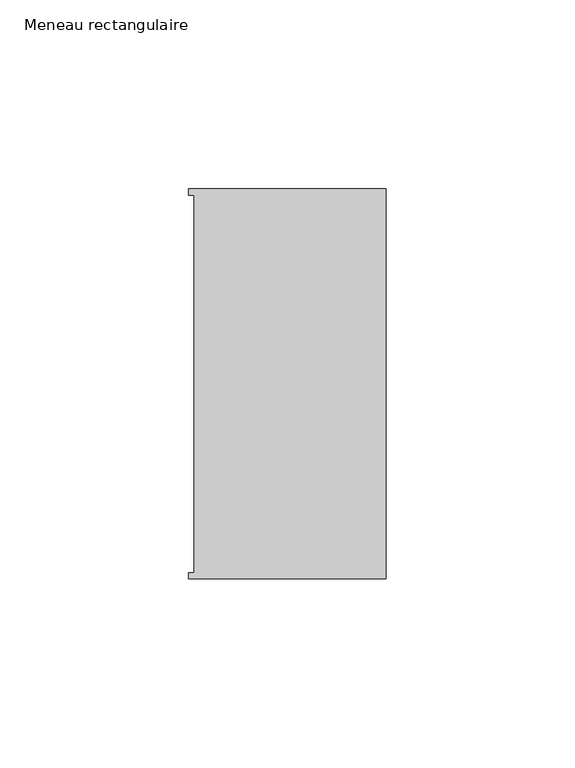
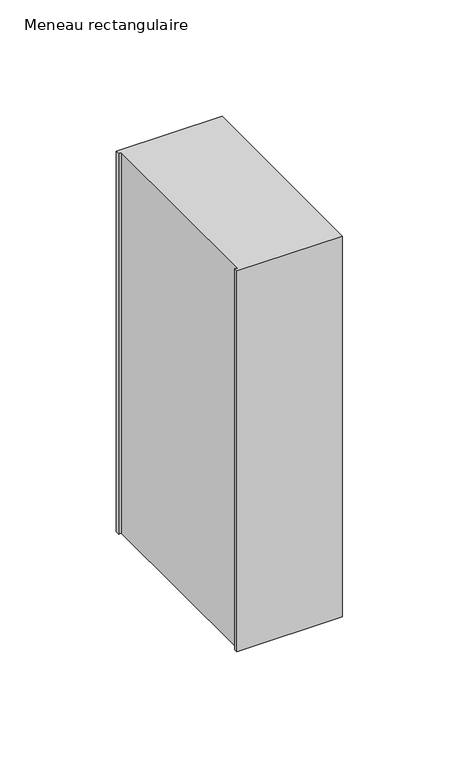
"""IFC4 building model written with IfcOpenShell, lengths in millimetres: member geometry, Meneau rectangulaire."""

import ifcopenshell
import ifcopenshell.guid

model = None  # the IFC model being written
_history = None  # IfcOwnerHistory: only IFC2X3 demands one
_inside = {}  # id of a spatial element -> (the spatial element, [elements in it])
_under = {}  # id of a project, library or spatial element -> (it, [spatial elements below it])
_declared = {}  # id of a project -> (the project, [libraries it declares])
_typed = {}  # id of a type object -> (the type object, [elements of that type])
_made_of = {}  # id of a material, layer set ... -> (it, [elements and type objects made of it])


def new_model(schema):
    """Start an empty IFC model of exactly this schema.

    Asked for "IFC4X3", IfcOpenShell would pick the latest addendum, in which some entities
    have other attributes; the version numbers below select the first issue.
    IFC2X3 requires an IfcOwnerHistory on every rooted entity: one is made here for all.
    """
    global model, _history
    if schema == "IFC4X3":
        model = ifcopenshell.file(schema_version=(4, 3, 0, 0))
    else:
        model = ifcopenshell.file(schema=schema)
    _inside.clear()
    _under.clear()
    _declared.clear()
    _typed.clear()
    _made_of.clear()
    _history = None
    if model.schema == "IFC2X3":
        org = make("IfcOrganization", Name="unknown")
        user = make(
            "IfcPersonAndOrganization",
            ThePerson=make("IfcPerson", FamilyName="unknown"),
            TheOrganization=org,
        )
        app = make(
            "IfcApplication",
            ApplicationDeveloper=org,
            Version="unknown",
            ApplicationFullName="unknown",
            ApplicationIdentifier="unknown",
        )
        _history = make(
            "IfcOwnerHistory",
            OwningUser=user,
            OwningApplication=app,
            ChangeAction="ADDED",
            CreationDate=0,
        )
    return model


def make(cls, **values):
    """One entity of the class cls with the attributes given. An attribute that is None is left unset."""
    return model.create_entity(
        cls, **{name: value for name, value in values.items() if value is not None}
    )


def rooted(cls, **values):
    """An entity with a GlobalId (a new one), such as an element, a storey or a relation."""
    return make(cls, GlobalId=ifcopenshell.guid.new(), OwnerHistory=_history, **values)


def si_unit(unit_type, name, prefix=None):
    """IfcSIUnit, for example si_unit("LENGTHUNIT", "METRE", prefix="MILLI")."""
    return make("IfcSIUnit", UnitType=unit_type, Prefix=prefix, Name=name)


def assignment(units):
    """IfcUnitAssignment: the units of a project."""
    return None if units is None else make("IfcUnitAssignment", Units=units)


def point(xyz):
    """IfcCartesianPoint."""
    return None if xyz is None else make("IfcCartesianPoint", Coordinates=xyz)


def direction(xyz):
    """IfcDirection."""
    return None if xyz is None else make("IfcDirection", DirectionRatios=xyz)


def frame(location, z_axis=None, x_axis=None):
    """IfcAxis2Placement3D, a coordinate frame: its origin and axes. An axis left out is left unset."""
    return make(
        "IfcAxis2Placement3D",
        Location=point(location),
        Axis=direction(z_axis),
        RefDirection=direction(x_axis),
    )


def origin():
    """The frame at (0, 0, 0) with its axes left unset."""
    return frame((0.0, 0.0, 0.0))


def place(relative_to, where):
    """IfcLocalPlacement: puts the frame where relative to a parent placement (None: the world)."""
    return make(
        "IfcLocalPlacement", PlacementRelTo=relative_to, RelativePlacement=where
    )


def context(
    kind, dimensions, precision=None, world=None, true_north=None, identifier=None
):
    """IfcGeometricRepresentationContext, for example the 3D "Model" context."""
    return make(
        "IfcGeometricRepresentationContext",
        ContextIdentifier=identifier,
        ContextType=kind,
        CoordinateSpaceDimension=dimensions,
        Precision=precision,
        WorldCoordinateSystem=world,
        TrueNorth=true_north,
    )


def project(units=None, contexts=None):
    """IfcProject with its units and contexts."""
    return rooted(
        "IfcProject",
        Name="project",
        RepresentationContexts=contexts,
        UnitsInContext=assignment(units),
    )


def spatial(cls, under=None, at=None, **own):
    """A site, building, storey or space (cls), placed at a placement, below another one or the project."""
    s = rooted(cls, ObjectPlacement=at, **own)
    if under is not None:
        _under.setdefault(under.id(), (under, []))[1].append(s)
    return s


def polyline(points):
    """IfcPolyline through the points."""
    return make("IfcPolyline", Points=[point(p) for p in points])


def outline(outer, holes=None, kind="AREA"):
    """IfcArbitraryClosedProfileDef: a profile drawn as a closed curve; with holes, ...WithVoids."""
    if holes is None:
        return make("IfcArbitraryClosedProfileDef", ProfileType=kind, OuterCurve=outer)
    return make(
        "IfcArbitraryProfileDefWithVoids",
        ProfileType=kind,
        OuterCurve=outer,
        InnerCurves=holes,
    )


def extrude(swept, where, along, depth):
    """IfcExtrudedAreaSolid: the profile swept, set in the frame where, extruded along a direction by depth."""
    return make(
        "IfcExtrudedAreaSolid",
        SweptArea=swept,
        Position=where,
        ExtrudedDirection=direction(along),
        Depth=depth,
    )


def shape(context_of_items, identifier, shape_type, items):
    """IfcShapeRepresentation: the items that make up one representation, for example the "Body"."""
    return make(
        "IfcShapeRepresentation",
        ContextOfItems=context_of_items,
        RepresentationIdentifier=identifier,
        RepresentationType=shape_type,
        Items=items,
    )


def source(mapping_origin, context_of_items, identifier, shape_type, items):
    """IfcRepresentationMap: a shape defined once, which mapped items show again and again."""
    return make(
        "IfcRepresentationMap",
        MappingOrigin=mapping_origin,
        MappedRepresentation=shape(context_of_items, identifier, shape_type, items),
    )


def transform(
    local_origin,
    x_axis=None,
    y_axis=None,
    z_axis=None,
    scale=None,
    scale2=None,
    scale3=None,
    uniform=True,
):
    """IfcCartesianTransformationOperator3D, or its non-uniform kind. x_axis, y_axis, z_axis: its Axis1, 2, 3."""
    if uniform:
        return make(
            "IfcCartesianTransformationOperator3D",
            Axis1=direction(x_axis),
            Axis2=direction(y_axis),
            LocalOrigin=point(local_origin),
            Scale=scale,
            Axis3=direction(z_axis),
        )
    return make(
        "IfcCartesianTransformationOperator3DnonUniform",
        Axis1=direction(x_axis),
        Axis2=direction(y_axis),
        LocalOrigin=point(local_origin),
        Scale=scale,
        Axis3=direction(z_axis),
        Scale2=scale2,
        Scale3=scale3,
    )


def mapped(mapping_source, mapping_target):
    """IfcMappedItem: shows the shape of a source again, moved by a transform."""
    return make(
        "IfcMappedItem", MappingSource=mapping_source, MappingTarget=mapping_target
    )


def made_of(thing, what):
    """Note that an element or type object is made of a material, layer set ...; save() writes the relation."""
    if what is not None:
        _made_of.setdefault(what.id(), (what, []))[1].append(thing)
    return thing


def element(
    cls,
    number,
    at=None,
    inside=None,
    cuts=None,
    type_object=None,
    material=None,
    context=None,
    identifier="Body",
    shape_type=None,
    held_by="IfcProductDefinitionShape",
    body=None,
    shapes=None,
    **own,
):
    """One element of the class cls, such as IfcWall. Its Tag is "e" and its number.

    at: its placement. inside: the storey or other place that contains it. cuts: it is an
    opening in that element (IfcRelVoidsElement). A single representation is given by context,
    identifier, shape_type and body (its items); several are given by shapes. held_by: the class
    of the entity that holds the representations. save() writes the other relations.
    """
    e = rooted(cls, Tag="e%d" % number, ObjectPlacement=at, **own)
    if body is not None:
        shapes = [shape(context, identifier, shape_type, body)]
    if shapes is not None:
        e.Representation = make(held_by, Representations=shapes)
    if inside is not None:
        _inside.setdefault(inside.id(), (inside, []))[1].append(e)
    if cuts is not None:
        rooted(
            "IfcRelVoidsElement", RelatingBuildingElement=cuts, RelatedOpeningElement=e
        )
    if type_object is not None:
        _typed.setdefault(type_object.id(), (type_object, []))[1].append(e)
    return made_of(e, material)


def aggregate(whole, parts):
    """IfcRelAggregates: a whole, such as a stair, and the parts it consists of."""
    return rooted("IfcRelAggregates", RelatingObject=whole, RelatedObjects=parts)


def save(model, path):
    """Write the relations noted so far, then the file.

    IfcRelAggregates (storeys below a building ...), IfcRelContainedInSpatialStructure (elements
    in a storey), IfcRelDefinesByType, IfcRelAssociatesMaterial and IfcRelDeclares: one each for
    every whole, place, type object, material and project.
    """
    for whole, parts in _under.values():
        aggregate(whole, parts)
    for where, things in _inside.values():
        rooted(
            "IfcRelContainedInSpatialStructure",
            RelatedElements=things,
            RelatingStructure=where,
        )
    for kind, things in _typed.values():
        rooted("IfcRelDefinesByType", RelatedObjects=things, RelatingType=kind)
    for what, things in _made_of.values():
        rooted("IfcRelAssociatesMaterial", RelatedObjects=things, RelatingMaterial=what)
    for by, libraries in _declared.values():
        rooted("IfcRelDeclares", RelatingContext=by, RelatedDefinitions=libraries)
    model.write(path)


def meneau_rectangulaire_44b915e1(model_context):
    return source(origin(), model_context, "Body", "SweptSolid", [
        extrude(outline(polyline([(-52.3, 51.6531441), (0.0, 51.6531441), (0.0, -51.6130012), (-52.3, -51.6130012), (-52.3, -49.9174099), (-50.9, -49.9174099), (-50.9, 49.9174073), (-52.3, 49.9174073), (-52.3, 51.6531441)])), frame((0.0, 0.0, -199.4032996), z_axis=(0.0, 0.0, 1.0), x_axis=(1.0, 0.0, 0.0)), (0.0, 0.0, 1.0), 199.4032996),
    ])


if __name__ == "__main__":
    model = new_model("IFC4")
    model_context = context("Model", 3, world=origin())
    ifc_project = project(units=[si_unit("LENGTHUNIT", "METRE", prefix="MILLI")], contexts=[model_context])
    site = spatial("IfcSite", under=ifc_project)
    building = spatial("IfcBuilding", under=site)
    placement = place(None, origin())
    meneau_rectangulaire_shape = meneau_rectangulaire_44b915e1(model_context)
    element("IfcMember", 1, ObjectType="Meneau rectangulaire", at=placement, inside=building, context=model_context, shape_type="MappedRepresentation", body=[
        mapped(meneau_rectangulaire_shape, transform((0.0, 0.0, 0.0), x_axis=(1.0, 0.0, 0.0), y_axis=(0.0, 1.0, 0.0), z_axis=(0.0, 0.0, 1.0))),
    ])
    save(model, "model.ifc")
